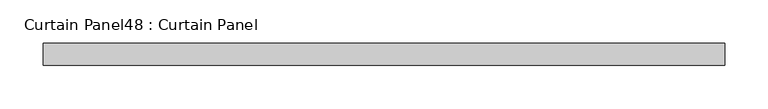
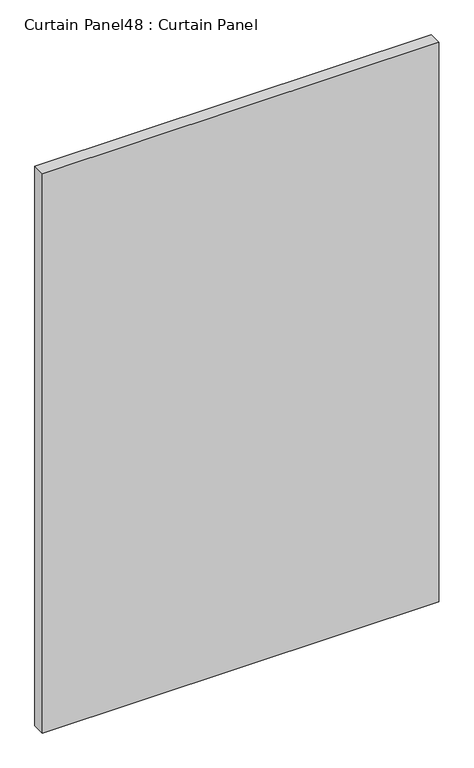
"""IFC4 building model written with IfcOpenShell, lengths in millimetres: plate geometry, Curtain Panel48 : Curtain Panel."""

from ifc_helpers import new_model, si_unit, frame, origin, place, context, project, spatial, polyline, outline, extrude, source, transform, mapped, element, save


def curtain_panel48_curtain_panel_25d1e020(model_context):
    return source(origin(), model_context, "Body", "SweptSolid", [
        extrude(outline(polyline([(-41955.3651505, -3859.9631042), (-42742.7613888, -3859.9631042), (-42742.7613888, -3834.5631042), (-41955.3651505, -3834.5631042), (-41955.3651505, -3859.9631042)])), frame((0.0, 0.0, 1254.1337004), z_axis=(0.0, 0.0, 1.0), x_axis=(1.0, 0.0, 0.0)), (0.0, 0.0, 1.0), 1174.7411864),
    ])


if __name__ == "__main__":
    model = new_model("IFC4")
    model_context = context("Model", 3, world=origin())
    ifc_project = project(units=[si_unit("LENGTHUNIT", "METRE", prefix="MILLI")], contexts=[model_context])
    site = spatial("IfcSite", under=ifc_project)
    building = spatial("IfcBuilding", under=site)
    placement = place(None, origin())
    curtain_panel48_curtain_panel_shape = curtain_panel48_curtain_panel_25d1e020(model_context)
    element("IfcPlate", 1, ObjectType="Curtain Panel48 : Curtain Panel", at=placement, inside=building, context=model_context, shape_type="MappedRepresentation", body=[
        mapped(curtain_panel48_curtain_panel_shape, transform((0.0, 0.0, 0.0), x_axis=(1.0, 0.0, 0.0), y_axis=(0.0, 1.0, 0.0), z_axis=(0.0, 0.0, 1.0))),
    ])
    save(model, "model.ifc")
